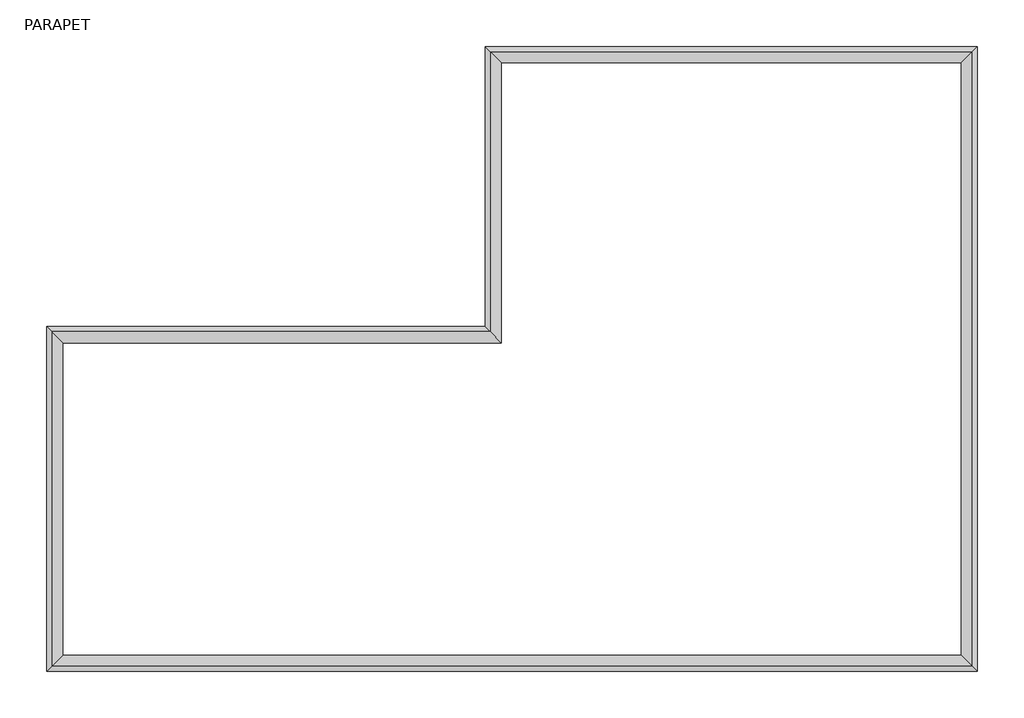
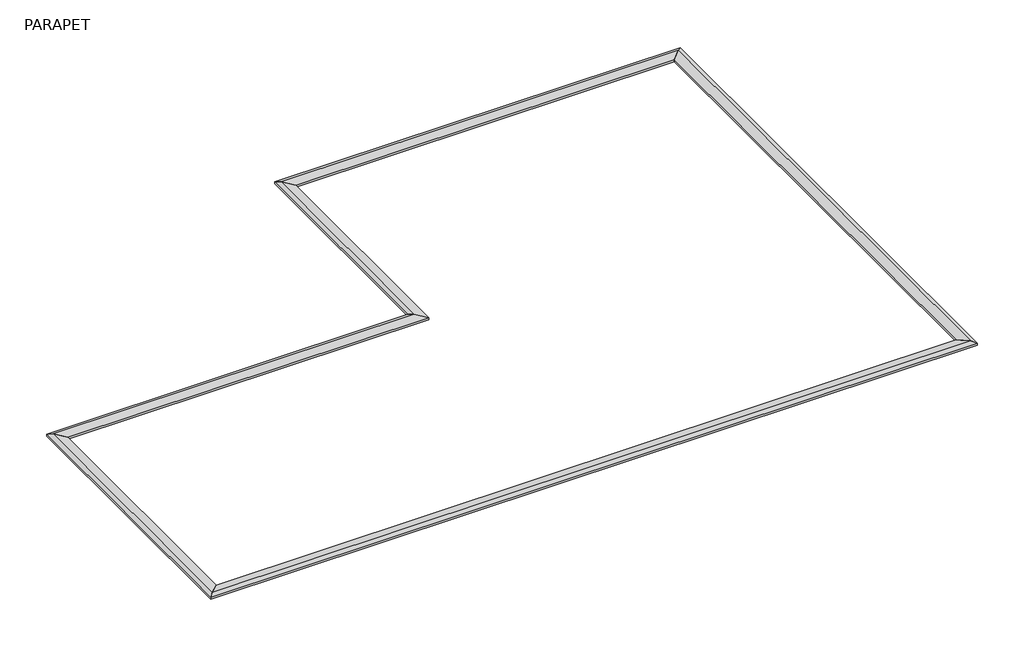
# One storey: 6 proxies.
"""IFC4 building model written with IfcOpenShell, lengths in millimetres."""

import ifcopenshell
import ifcopenshell.guid

model = None  # the IFC model being written
_history = None  # IfcOwnerHistory: only IFC2X3 demands one
_inside = {}  # id of a spatial element -> (the spatial element, [elements in it])
_under = {}  # id of a project, library or spatial element -> (it, [spatial elements below it])
_declared = {}  # id of a project -> (the project, [libraries it declares])
_typed = {}  # id of a type object -> (the type object, [elements of that type])
_made_of = {}  # id of a material, layer set ... -> (it, [elements and type objects made of it])


def new_model(schema):
    """Start an empty IFC model of exactly this schema.

    Asked for "IFC4X3", IfcOpenShell would pick the latest addendum, in which some entities
    have other attributes; the version numbers below select the first issue.
    IFC2X3 requires an IfcOwnerHistory on every rooted entity: one is made here for all.
    """
    global model, _history
    if schema == "IFC4X3":
        model = ifcopenshell.file(schema_version=(4, 3, 0, 0))
    else:
        model = ifcopenshell.file(schema=schema)
    _inside.clear()
    _under.clear()
    _declared.clear()
    _typed.clear()
    _made_of.clear()
    _history = None
    if model.schema == "IFC2X3":
        org = make("IfcOrganization", Name="unknown")
        user = make(
            "IfcPersonAndOrganization",
            ThePerson=make("IfcPerson", FamilyName="unknown"),
            TheOrganization=org,
        )
        app = make(
            "IfcApplication",
            ApplicationDeveloper=org,
            Version="unknown",
            ApplicationFullName="unknown",
            ApplicationIdentifier="unknown",
        )
        _history = make(
            "IfcOwnerHistory",
            OwningUser=user,
            OwningApplication=app,
            ChangeAction="ADDED",
            CreationDate=0,
        )
    return model


def make(cls, **values):
    """One entity of the class cls with the attributes given. An attribute that is None is left unset."""
    return model.create_entity(
        cls, **{name: value for name, value in values.items() if value is not None}
    )


def rooted(cls, **values):
    """An entity with a GlobalId (a new one), such as an element, a storey or a relation."""
    return make(cls, GlobalId=ifcopenshell.guid.new(), OwnerHistory=_history, **values)


def si_unit(unit_type, name, prefix=None):
    """IfcSIUnit, for example si_unit("LENGTHUNIT", "METRE", prefix="MILLI")."""
    return make("IfcSIUnit", UnitType=unit_type, Prefix=prefix, Name=name)


def assignment(units):
    """IfcUnitAssignment: the units of a project."""
    return None if units is None else make("IfcUnitAssignment", Units=units)


def point(xyz):
    """IfcCartesianPoint."""
    return None if xyz is None else make("IfcCartesianPoint", Coordinates=xyz)


def direction(xyz):
    """IfcDirection."""
    return None if xyz is None else make("IfcDirection", DirectionRatios=xyz)


def frame(location, z_axis=None, x_axis=None):
    """IfcAxis2Placement3D, a coordinate frame: its origin and axes. An axis left out is left unset."""
    return make(
        "IfcAxis2Placement3D",
        Location=point(location),
        Axis=direction(z_axis),
        RefDirection=direction(x_axis),
    )


def origin():
    """The frame at (0, 0, 0) with its axes left unset."""
    return frame((0.0, 0.0, 0.0))


def place(relative_to, where):
    """IfcLocalPlacement: puts the frame where relative to a parent placement (None: the world)."""
    return make(
        "IfcLocalPlacement", PlacementRelTo=relative_to, RelativePlacement=where
    )


def context(
    kind, dimensions, precision=None, world=None, true_north=None, identifier=None
):
    """IfcGeometricRepresentationContext, for example the 3D "Model" context."""
    return make(
        "IfcGeometricRepresentationContext",
        ContextIdentifier=identifier,
        ContextType=kind,
        CoordinateSpaceDimension=dimensions,
        Precision=precision,
        WorldCoordinateSystem=world,
        TrueNorth=true_north,
    )


def project(units=None, contexts=None):
    """IfcProject with its units and contexts."""
    return rooted(
        "IfcProject",
        Name="project",
        RepresentationContexts=contexts,
        UnitsInContext=assignment(units),
    )


def spatial(cls, under=None, at=None, **own):
    """A site, building, storey or space (cls), placed at a placement, below another one or the project."""
    s = rooted(cls, ObjectPlacement=at, **own)
    if under is not None:
        _under.setdefault(under.id(), (under, []))[1].append(s)
    return s


def faces_of(points, faces, orient=None, outer=None):
    """IfcFace entities. A face is a list of loops; a loop is a list of indices into points, from 0.

    orient and outer hold one flag for each loop. By default every Orientation is true, the
    first loop of a face is its IfcFaceOuterBound and the others are IfcFaceBound.
    """
    made = []
    for i, loops in enumerate(faces):
        bounds = []
        for j, loop in enumerate(loops):
            is_outer = j == 0 if outer is None else outer[i][j]
            bounds.append(
                make(
                    "IfcFaceOuterBound" if is_outer else "IfcFaceBound",
                    Bound=make("IfcPolyLoop", Polygon=[points[k] for k in loop]),
                    Orientation=True if orient is None else orient[i][j],
                )
            )
        made.append(make("IfcFace", Bounds=bounds))
    return made


def faceted_brep(points, faces, orient=None, outer=None, voids=None):
    """IfcFacetedBrep: a solid bounded by flat faces; with voids (closed shells), ...WithVoids."""
    shared = [point(p) for p in points]
    hull = make("IfcClosedShell", CfsFaces=faces_of(shared, faces, orient, outer))
    if voids is None:
        return make("IfcFacetedBrep", Outer=hull)
    return make(
        "IfcFacetedBrepWithVoids",
        Outer=hull,
        Voids=[
            make(cls, CfsFaces=faces_of(shared, fs, o, b)) for cls, fs, o, b in voids
        ],
    )


def shape(context_of_items, identifier, shape_type, items):
    """IfcShapeRepresentation: the items that make up one representation, for example the "Body"."""
    return make(
        "IfcShapeRepresentation",
        ContextOfItems=context_of_items,
        RepresentationIdentifier=identifier,
        RepresentationType=shape_type,
        Items=items,
    )


def made_of(thing, what):
    """Note that an element or type object is made of a material, layer set ...; save() writes the relation."""
    if what is not None:
        _made_of.setdefault(what.id(), (what, []))[1].append(thing)
    return thing


def element(
    cls,
    number,
    at=None,
    inside=None,
    cuts=None,
    type_object=None,
    material=None,
    context=None,
    identifier="Body",
    shape_type=None,
    held_by="IfcProductDefinitionShape",
    body=None,
    shapes=None,
    **own,
):
    """One element of the class cls, such as IfcWall. Its Tag is "e" and its number.

    at: its placement. inside: the storey or other place that contains it. cuts: it is an
    opening in that element (IfcRelVoidsElement). A single representation is given by context,
    identifier, shape_type and body (its items); several are given by shapes. held_by: the class
    of the entity that holds the representations. save() writes the other relations.
    """
    e = rooted(cls, Tag="e%d" % number, ObjectPlacement=at, **own)
    if body is not None:
        shapes = [shape(context, identifier, shape_type, body)]
    if shapes is not None:
        e.Representation = make(held_by, Representations=shapes)
    if inside is not None:
        _inside.setdefault(inside.id(), (inside, []))[1].append(e)
    if cuts is not None:
        rooted(
            "IfcRelVoidsElement", RelatingBuildingElement=cuts, RelatedOpeningElement=e
        )
    if type_object is not None:
        _typed.setdefault(type_object.id(), (type_object, []))[1].append(e)
    return made_of(e, material)


def aggregate(whole, parts):
    """IfcRelAggregates: a whole, such as a stair, and the parts it consists of."""
    return rooted("IfcRelAggregates", RelatingObject=whole, RelatedObjects=parts)


def save(model, path):
    """Write the relations noted so far, then the file.

    IfcRelAggregates (storeys below a building ...), IfcRelContainedInSpatialStructure (elements
    in a storey), IfcRelDefinesByType, IfcRelAssociatesMaterial and IfcRelDeclares: one each for
    every whole, place, type object, material and project.
    """
    for whole, parts in _under.values():
        aggregate(whole, parts)
    for where, things in _inside.values():
        rooted(
            "IfcRelContainedInSpatialStructure",
            RelatedElements=things,
            RelatingStructure=where,
        )
    for kind, things in _typed.values():
        rooted("IfcRelDefinesByType", RelatedObjects=things, RelatingType=kind)
    for what, things in _made_of.values():
        rooted("IfcRelAssociatesMaterial", RelatedObjects=things, RelatingMaterial=what)
    for by, libraries in _declared.values():
        rooted("IfcRelDeclares", RelatingContext=by, RelatedDefinitions=libraries)
    model.write(path)


model = new_model("IFC4")

# Units and contexts
model_context = context("Model", 3, world=origin())
ifc_project = project(units=[si_unit("LENGTHUNIT", "METRE", prefix="MILLI")], contexts=[model_context])

# Site, building, storey
site = spatial("IfcSite", under=ifc_project)
building = spatial("IfcBuilding", under=site)
storey = spatial("IfcBuildingStorey", under=building, Name="PARAPET", Elevation=7010.4)

# Proxies
placement = place(None, origin())
element("IfcBuildingElementProxy", 1, Name="Wall Sweeps", at=placement, inside=storey, context=model_context, shape_type="Brep", body=[
    faceted_brep([(6822.8644897, 184.8202768, 7073.9), (6543.4644897, 464.2202768, 7112.0), (6416.4644897, 591.2202768, 7073.9), (6416.4644897, 591.2202768, 7010.4), (6822.8644897, 184.8202768, 7010.4), (18322.7144897, 184.8202768, 7073.9), (18322.7144897, 184.8202768, 7010.4), (18729.1144897, 591.2202768, 7010.4), (18729.1144897, 591.2202768, 7073.9), (18602.1144897, 464.2202768, 7112.0)], [[[0, 1, 2, 3, 4]], [[5, 6, 7, 8, 9]], [[1, 0, 5, 9]], [[2, 1, 9, 8]], [[3, 2, 8, 7]], [[4, 3, 7, 6]], [[0, 4, 6, 5]]]),
])
element("IfcBuildingElementProxy", 2, Name="Wall Sweeps", at=placement, inside=storey, context=model_context, shape_type="Brep", body=[
    faceted_brep([(18322.7144897, -14645.6047232, 7073.9), (18602.1144897, -14925.0047232, 7112.0), (18729.1144897, -15052.0047232, 7073.9), (18729.1144897, -15052.0047232, 7010.4), (18322.7144897, -14645.6047232, 7010.4), (-4149.9355103, -14645.6047232, 7073.9), (-4149.9355103, -14645.6047232, 7010.4), (-4556.3355103, -15052.0047232, 7010.4), (-4556.3355103, -15052.0047232, 7073.9), (-4429.3355103, -14925.0047232, 7112.0)], [[[0, 1, 2, 3, 4]], [[5, 6, 7, 8, 9]], [[1, 0, 5, 9]], [[2, 1, 9, 8]], [[3, 2, 8, 7]], [[4, 3, 7, 6]], [[0, 4, 6, 5]]]),
])
element("IfcBuildingElementProxy", 3, Name="Wall Sweeps", at=placement, inside=storey, context=model_context, shape_type="Brep", body=[
    faceted_brep([(-4149.9355103, -14645.6047232, 7073.9), (-4429.3355103, -14925.0047232, 7112.0), (-4556.3355103, -15052.0047232, 7073.9), (-4556.3355103, -15052.0047232, 7010.4), (-4149.9355103, -14645.6047232, 7010.4), (-4149.9355103, -6825.5797232, 7073.9), (-4149.9355103, -6825.5797232, 7010.4), (-4556.3355103, -6419.1797232, 7010.4), (-4556.3355103, -6419.1797232, 7073.9), (-4429.3355103, -6546.1797232, 7112.0)], [[[0, 1, 2, 3, 4]], [[5, 6, 7, 8, 9]], [[1, 0, 5, 9]], [[2, 1, 9, 8]], [[3, 2, 8, 7]], [[4, 3, 7, 6]], [[0, 4, 6, 5]]]),
])
element("IfcBuildingElementProxy", 4, Name="Wall Sweeps", at=placement, inside=storey, context=model_context, shape_type="Brep", body=[
    faceted_brep([(-4149.9355103, -6825.5797232, 7073.9), (-4429.3355103, -6546.1797232, 7112.0), (-4556.3355103, -6419.1797232, 7073.9), (-4556.3355103, -6419.1797232, 7010.4), (-4149.9355103, -6825.5797232, 7010.4), (6822.8644897, -6825.5797232, 7073.9), (6822.8644897, -6825.5797232, 7010.4), (6416.4644897, -6419.1797232, 7010.4), (6416.4644897, -6419.1797232, 7073.9), (6543.4644897, -6546.1797232, 7112.0)], [[[0, 1, 2, 3, 4]], [[5, 6, 7, 8, 9]], [[1, 0, 5, 9]], [[2, 1, 9, 8]], [[3, 2, 8, 7]], [[4, 3, 7, 6]], [[0, 4, 6, 5]]]),
])
element("IfcBuildingElementProxy", 5, Name="Wall Sweeps", at=placement, inside=storey, context=model_context, shape_type="Brep", body=[
    faceted_brep([(6822.8644897, -6825.5797232, 7073.9), (6543.4644897, -6546.1797232, 7112.0), (6416.4644897, -6419.1797232, 7073.9), (6416.4644897, -6419.1797232, 7010.4), (6822.8644897, -6825.5797232, 7010.4), (6822.8644897, 184.8202768, 7073.9), (6822.8644897, 184.8202768, 7010.4), (6416.4644897, 591.2202768, 7010.4), (6416.4644897, 591.2202768, 7073.9), (6543.4644897, 464.2202768, 7112.0)], [[[0, 1, 2, 3, 4]], [[5, 6, 7, 8, 9]], [[0, 4, 6, 5]], [[4, 3, 7, 6]], [[3, 2, 8, 7]], [[2, 1, 9, 8]], [[1, 0, 5, 9]]]),
])
element("IfcBuildingElementProxy", 6, Name="Wall Sweeps", at=placement, inside=storey, context=model_context, shape_type="Brep", body=[
    faceted_brep([(18322.7144897, 184.8202768, 7073.9), (18602.1144897, 464.2202768, 7112.0), (18729.1144897, 591.2202768, 7073.9), (18729.1144897, 591.2202768, 7010.4), (18322.7144897, 184.8202768, 7010.4), (18322.7144897, -14645.6047232, 7073.9), (18322.7144897, -14645.6047232, 7010.4), (18729.1144897, -15052.0047232, 7010.4), (18729.1144897, -15052.0047232, 7073.9), (18602.1144897, -14925.0047232, 7112.0)], [[[0, 1, 2, 3, 4]], [[5, 6, 7, 8, 9]], [[1, 0, 5, 9]], [[2, 1, 9, 8]], [[3, 2, 8, 7]], [[4, 3, 7, 6]], [[0, 4, 6, 5]]]),
])

save(model, "model.ifc")
